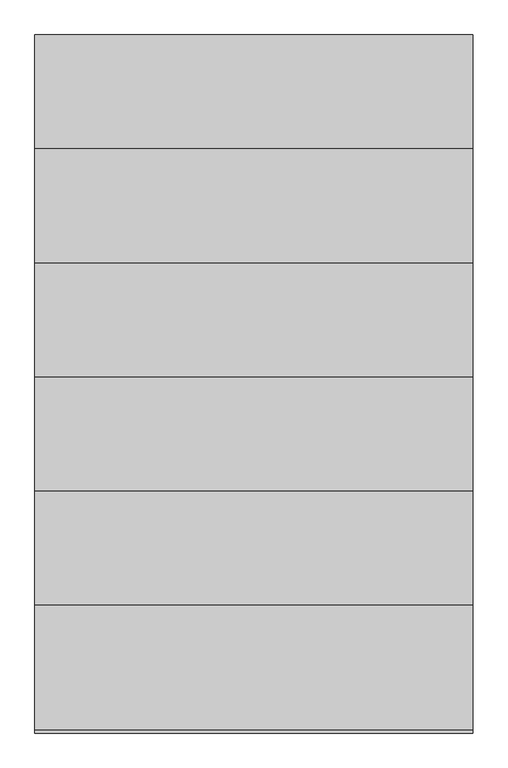
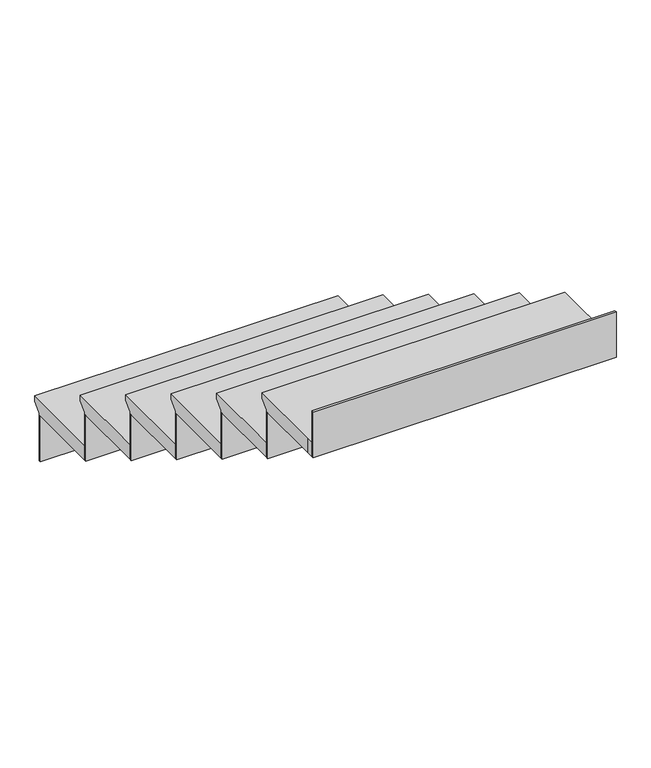
"""IFC4 building model written with IfcOpenShell, lengths in millimetres: stair flight geometry."""

from ifc_helpers import new_model, si_unit, origin, place, context, project, spatial, faceted_brep, source, transform, mapped, element, save


def stair_flight_10bbb662(model_context):
    return source(origin(), model_context, "Body", "Brep", [
        faceted_brep([(-1658.5854491, -4092.8937808, 1120.0), (-2658.5854491, -4092.8937808, 1120.0), (-2658.5854491, -4378.2937808, 1120.0), (-1658.5854491, -4378.2937808, 1120.0), (-1658.5854491, -4118.2937808, 1069.2), (-1658.5854491, -4378.2937808, 1069.2), (-2658.5854491, -4378.2937808, 1069.2), (-2658.5854491, -4118.2937808, 1069.2), (-1658.5854491, -4118.2937808, 1075.55), (-1658.5854491, -4092.8937808, 1100.95), (-2658.5854491, -4118.2937808, 1075.55), (-2658.5854491, -4092.8937808, 1100.95)], [[[0, 1, 2, 3]], [[4, 5, 6, 7]], [[0, 3, 5, 4, 8, 9]], [[4, 7, 10, 8]], [[2, 1, 11, 10, 7, 6]], [[3, 2, 6, 5]], [[11, 1, 0, 9]], [[10, 11, 9, 8]]]),
        faceted_brep([(-2658.5854491, -4118.2937808, 1069.2), (-2658.5854491, -4118.2937808, 909.2), (-2658.5854491, -4124.6437808, 909.2), (-2658.5854491, -4124.6437808, 1069.2), (-1658.5854491, -4118.2937808, 1069.2), (-1658.5854491, -4124.6437808, 1069.2), (-1658.5854491, -4124.6437808, 909.2), (-1658.5854491, -4118.2937808, 909.2)], [[[0, 1, 2, 3]], [[4, 5, 6, 7]], [[1, 0, 4, 7]], [[2, 1, 7, 6]], [[3, 2, 6, 5]], [[0, 3, 5, 4]]]),
        faceted_brep([(-1658.5854491, -4352.8937808, 1280.0), (-2658.5854491, -4352.8937808, 1280.0), (-2658.5854491, -4638.2937808, 1280.0), (-1658.5854491, -4638.2937808, 1280.0), (-1658.5854491, -4378.2937808, 1229.2), (-1658.5854491, -4638.2937808, 1229.2), (-2658.5854491, -4638.2937808, 1229.2), (-2658.5854491, -4378.2937808, 1229.2), (-1658.5854491, -4378.2937808, 1235.55), (-1658.5854491, -4352.8937808, 1260.95), (-2658.5854491, -4378.2937808, 1235.55), (-2658.5854491, -4352.8937808, 1260.95)], [[[0, 1, 2, 3]], [[4, 5, 6, 7]], [[0, 3, 5, 4, 8, 9]], [[4, 7, 10, 8]], [[2, 1, 11, 10, 7, 6]], [[3, 2, 6, 5]], [[11, 1, 0, 9]], [[10, 11, 9, 8]]]),
        faceted_brep([(-2658.5854491, -4378.2937808, 1229.2), (-2658.5854491, -4378.2937808, 1069.2), (-2658.5854491, -4384.6437808, 1069.2), (-2658.5854491, -4384.6437808, 1229.2), (-1658.5854491, -4378.2937808, 1229.2), (-1658.5854491, -4384.6437808, 1229.2), (-1658.5854491, -4384.6437808, 1069.2), (-1658.5854491, -4378.2937808, 1069.2)], [[[0, 1, 2, 3]], [[4, 5, 6, 7]], [[1, 0, 4, 7]], [[2, 1, 7, 6]], [[3, 2, 6, 5]], [[0, 3, 5, 4]]]),
        faceted_brep([(-1658.5854491, -4612.8937808, 1440.0), (-2658.5854491, -4612.8937808, 1440.0), (-2658.5854491, -4898.2937808, 1440.0), (-1658.5854491, -4898.2937808, 1440.0), (-1658.5854491, -4638.2937808, 1389.2), (-1658.5854491, -4898.2937808, 1389.2), (-2658.5854491, -4898.2937808, 1389.2), (-2658.5854491, -4638.2937808, 1389.2), (-1658.5854491, -4638.2937808, 1395.55), (-1658.5854491, -4612.8937808, 1420.95), (-2658.5854491, -4638.2937808, 1395.55), (-2658.5854491, -4612.8937808, 1420.95)], [[[0, 1, 2, 3]], [[4, 5, 6, 7]], [[0, 3, 5, 4, 8, 9]], [[4, 7, 10, 8]], [[2, 1, 11, 10, 7, 6]], [[3, 2, 6, 5]], [[11, 1, 0, 9]], [[10, 11, 9, 8]]]),
        faceted_brep([(-2658.5854491, -4638.2937808, 1389.2), (-2658.5854491, -4638.2937808, 1229.2), (-2658.5854491, -4644.6437808, 1229.2), (-2658.5854491, -4644.6437808, 1389.2), (-1658.5854491, -4638.2937808, 1389.2), (-1658.5854491, -4644.6437808, 1389.2), (-1658.5854491, -4644.6437808, 1229.2), (-1658.5854491, -4638.2937808, 1229.2)], [[[0, 1, 2, 3]], [[4, 5, 6, 7]], [[1, 0, 4, 7]], [[2, 1, 7, 6]], [[3, 2, 6, 5]], [[0, 3, 5, 4]]]),
        faceted_brep([(-1658.5854491, -4872.8937808, 1600.0), (-2658.5854491, -4872.8937808, 1600.0), (-2658.5854491, -5158.2937808, 1600.0), (-1658.5854491, -5158.2937808, 1600.0), (-1658.5854491, -4898.2937808, 1549.2), (-1658.5854491, -5158.2937808, 1549.2), (-2658.5854491, -5158.2937808, 1549.2), (-2658.5854491, -4898.2937808, 1549.2), (-1658.5854491, -4898.2937808, 1555.55), (-1658.5854491, -4872.8937808, 1580.95), (-2658.5854491, -4898.2937808, 1555.55), (-2658.5854491, -4872.8937808, 1580.95)], [[[0, 1, 2, 3]], [[4, 5, 6, 7]], [[0, 3, 5, 4, 8, 9]], [[4, 7, 10, 8]], [[2, 1, 11, 10, 7, 6]], [[3, 2, 6, 5]], [[11, 1, 0, 9]], [[10, 11, 9, 8]]]),
        faceted_brep([(-2658.5854491, -4898.2937808, 1549.2), (-2658.5854491, -4898.2937808, 1389.2), (-2658.5854491, -4904.6437808, 1389.2), (-2658.5854491, -4904.6437808, 1549.2), (-1658.5854491, -4898.2937808, 1549.2), (-1658.5854491, -4904.6437808, 1549.2), (-1658.5854491, -4904.6437808, 1389.2), (-1658.5854491, -4898.2937808, 1389.2)], [[[0, 1, 2, 3]], [[4, 5, 6, 7]], [[1, 0, 4, 7]], [[2, 1, 7, 6]], [[3, 2, 6, 5]], [[0, 3, 5, 4]]]),
        faceted_brep([(-1658.5854491, -5132.8937808, 1760.0), (-2658.5854491, -5132.8937808, 1760.0), (-2658.5854491, -5418.2937808, 1760.0), (-1658.5854491, -5418.2937808, 1760.0), (-1658.5854491, -5158.2937808, 1709.2), (-1658.5854491, -5418.2937808, 1709.2), (-2658.5854491, -5418.2937808, 1709.2), (-2658.5854491, -5158.2937808, 1709.2), (-1658.5854491, -5158.2937808, 1715.55), (-1658.5854491, -5132.8937808, 1740.95), (-2658.5854491, -5158.2937808, 1715.55), (-2658.5854491, -5132.8937808, 1740.95)], [[[0, 1, 2, 3]], [[4, 5, 6, 7]], [[0, 3, 5, 4, 8, 9]], [[4, 7, 10, 8]], [[2, 1, 11, 10, 7, 6]], [[3, 2, 6, 5]], [[11, 1, 0, 9]], [[10, 11, 9, 8]]]),
        faceted_brep([(-2658.5854491, -5158.2937808, 1709.2), (-2658.5854491, -5158.2937808, 1549.2), (-2658.5854491, -5164.6437808, 1549.2), (-2658.5854491, -5164.6437808, 1709.2), (-1658.5854491, -5158.2937808, 1709.2), (-1658.5854491, -5164.6437808, 1709.2), (-1658.5854491, -5164.6437808, 1549.2), (-1658.5854491, -5158.2937808, 1549.2)], [[[0, 1, 2, 3]], [[4, 5, 6, 7]], [[1, 0, 4, 7]], [[2, 1, 7, 6]], [[3, 2, 6, 5]], [[0, 3, 5, 4]]]),
        faceted_brep([(-1658.5854491, -5678.2937808, 1920.0), (-1658.5854491, -5652.8937808, 1920.0), (-1658.5854491, -5392.8937808, 1920.0), (-2658.5854491, -5392.8937808, 1920.0), (-2658.5854491, -5652.8937808, 1920.0), (-2658.5854491, -5678.2937808, 1920.0), (-1658.5854491, -5652.8937808, 1869.2), (-1658.5854491, -5678.2937808, 1869.2), (-2658.5854491, -5678.2937808, 1869.2), (-2658.5854491, -5652.8937808, 1869.2), (-2658.5854491, -5418.2937808, 1869.2), (-1658.5854491, -5418.2937808, 1869.2), (-2658.5854491, -5418.2937808, 1875.55), (-1658.5854491, -5418.2937808, 1875.55), (-2658.5854491, -5392.8937808, 1900.95), (-1658.5854491, -5392.8937808, 1900.95)], [[[0, 1, 2, 3, 4, 5]], [[6, 7, 8, 9, 10, 11]], [[1, 0, 7, 6]], [[11, 10, 12, 13]], [[4, 3, 14, 12, 10, 9]], [[0, 5, 8, 7]], [[14, 3, 2, 15]], [[12, 14, 15, 13]], [[2, 1, 6, 11, 13, 15]], [[5, 4, 9, 8]]]),
        faceted_brep([(-2658.5854491, -5418.2937808, 1869.2), (-2658.5854491, -5418.2937808, 1709.2), (-2658.5854491, -5424.6437808, 1709.2), (-2658.5854491, -5424.6437808, 1869.2), (-1658.5854491, -5418.2937808, 1869.2), (-1658.5854491, -5424.6437808, 1869.2), (-1658.5854491, -5424.6437808, 1709.2), (-1658.5854491, -5418.2937808, 1709.2)], [[[0, 1, 2, 3]], [[4, 5, 6, 7]], [[1, 0, 4, 7]], [[2, 1, 7, 6]], [[3, 2, 6, 5]], [[0, 3, 5, 4]]]),
        faceted_brep([(-2658.5854491, -5678.2937808, 2029.2), (-2658.5854491, -5678.2937808, 1869.2), (-2658.5854491, -5684.6437808, 1869.2), (-2658.5854491, -5684.6437808, 2029.2), (-1658.5854491, -5678.2937808, 2029.2), (-1658.5854491, -5684.6437808, 2029.2), (-1658.5854491, -5684.6437808, 1869.2), (-1658.5854491, -5678.2937808, 1869.2)], [[[0, 1, 2, 3]], [[4, 5, 6, 7]], [[1, 0, 4, 7]], [[2, 1, 7, 6]], [[3, 2, 6, 5]], [[0, 3, 5, 4]]]),
    ])


if __name__ == "__main__":
    model = new_model("IFC4")
    model_context = context("Model", 3, world=origin())
    ifc_project = project(units=[si_unit("LENGTHUNIT", "METRE", prefix="MILLI")], contexts=[model_context])
    site = spatial("IfcSite", under=ifc_project)
    building = spatial("IfcBuilding", under=site)
    placement = place(None, origin())
    stair_flight_shape = stair_flight_10bbb662(model_context)
    element("IfcStairFlight", 1, at=placement, inside=building, context=model_context, shape_type="MappedRepresentation", body=[
        mapped(stair_flight_shape, transform((0.0, 0.0, 0.0), x_axis=(1.0, 0.0, 0.0), y_axis=(0.0, 1.0, 0.0), z_axis=(0.0, 0.0, 1.0))),
    ])
    save(model, "model.ifc")
